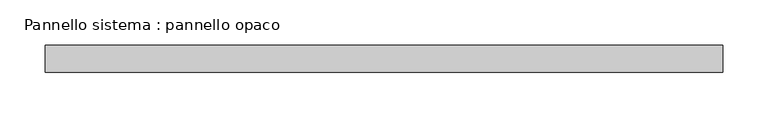
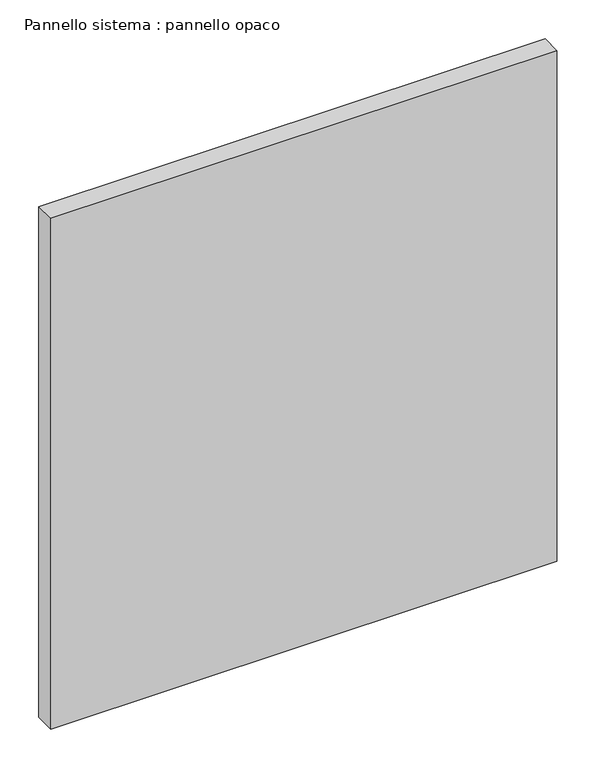
"""IFC4 building model written with IfcOpenShell, lengths in millimetres: plate geometry, Pannello sistema : pannello opaco."""

from ifc_helpers import new_model, si_unit, origin, origin_with_axes, place, context, project, spatial, polyline, outline, extrude, source, transform, mapped, element, save


def pannello_sistema_pannello_opaco_45524dde(model_context):
    return source(origin(), model_context, "Body", "SweptSolid", [
        extrude(outline(polyline([(375.0, -15.0), (-375.0, -15.0), (-375.0, 15.0), (375.0, 15.0), (375.0, -15.0)])), origin_with_axes(), (0.0, 0.0, 1.0), 800.0),
    ])


if __name__ == "__main__":
    model = new_model("IFC4")
    model_context = context("Model", 3, world=origin())
    ifc_project = project(units=[si_unit("LENGTHUNIT", "METRE", prefix="MILLI")], contexts=[model_context])
    site = spatial("IfcSite", under=ifc_project)
    building = spatial("IfcBuilding", under=site)
    placement = place(None, origin())
    pannello_sistema_pannello_opaco_shape = pannello_sistema_pannello_opaco_45524dde(model_context)
    element("IfcPlate", 1, ObjectType="Pannello sistema : pannello opaco", at=placement, inside=building, context=model_context, shape_type="MappedRepresentation", body=[
        mapped(pannello_sistema_pannello_opaco_shape, transform((0.0, 0.0, 0.0), x_axis=(1.0, 0.0, 0.0), y_axis=(0.0, 1.0, 0.0), z_axis=(0.0, 0.0, 1.0))),
    ])
    save(model, "model.ifc")
